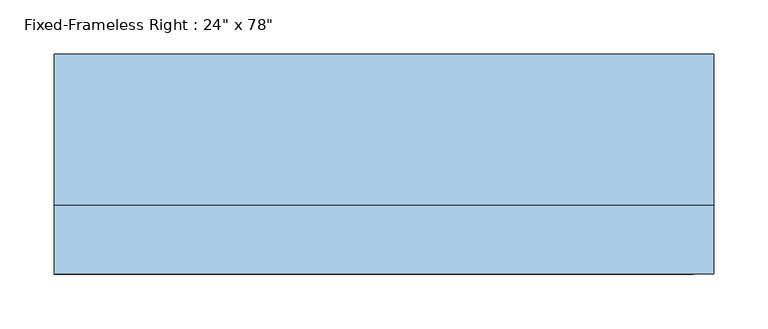
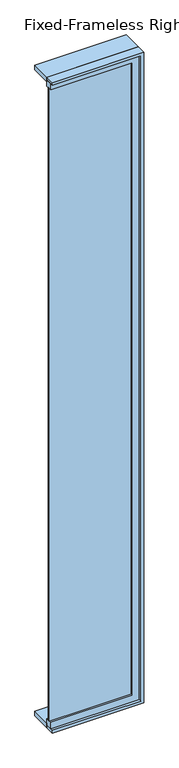
"""IFC4 building model written with IfcOpenShell, lengths in millimetres: window geometry."""

from ifc_helpers import new_model, si_unit, frame, origin, place, context, project, spatial, polyline, outline, extrude, source, transform, mapped, element, save


def window_be962bb8(model_context):
    return source(origin(), model_context, "Body", "SweptSolid", [
        extrude(outline(polyline([(203.2, -53.975), (203.2, -66.675), (-342.9, -66.675), (-342.9, -53.975), (203.2, -53.975)])), frame((0.0, 0.0, 673.1), z_axis=(0.0, 0.0, 1.0), x_axis=(1.0, 0.0, 0.0)), (0.0, 0.0, 1.0), 4473.0),
        extrude(outline(polyline([(5190.55, -342.9), (5146.1, -342.9), (5146.1, 203.2), (673.1, 203.2), (673.1, -342.9), (628.65, -342.9), (628.65, 247.65), (5190.55, 247.65), (5190.55, -342.9)])), frame((0.0, -82.55, 0.0), z_axis=(0.0, 1.0, 0.0), x_axis=(0.0, 0.0, 1.0)), (0.0, 0.0, 1.0), 44.45),
        extrude(outline(polyline([(5209.6, -342.9), (5177.85, -342.9), (5177.85, 234.95), (641.35, 234.95), (641.35, -342.9), (609.6, -342.9), (609.6, 266.7), (5209.6, 266.7), (5209.6, -342.9)])), frame((0.0, -38.1, 0.0), z_axis=(0.0, 1.0, 0.0), x_axis=(0.0, 0.0, 1.0)), (0.0, 0.0, 1.0), 139.7),
        extrude(outline(polyline([(5209.6, 266.7), (5209.6, -342.9), (5190.55, -342.9), (5190.55, 247.65), (628.65, 247.65), (628.65, -342.9), (609.6, -342.9), (609.6, 266.7), (5209.6, 266.7)])), frame((0.0, -101.6, 0.0), z_axis=(0.0, 1.0, 0.0), x_axis=(0.0, 0.0, 1.0)), (0.0, 0.0, 1.0), 63.5),
    ])


if __name__ == "__main__":
    model = new_model("IFC4")
    model_context = context("Model", 3, world=origin())
    ifc_project = project(units=[si_unit("LENGTHUNIT", "METRE", prefix="MILLI")], contexts=[model_context])
    site = spatial("IfcSite", under=ifc_project)
    building = spatial("IfcBuilding", under=site)
    placement = place(None, origin())
    window_shape = window_be962bb8(model_context)
    element("IfcWindow", 1, ObjectType="Fixed-Frameless Right : 24\" x 78\"", at=placement, inside=building, context=model_context, shape_type="MappedRepresentation", body=[
        mapped(window_shape, transform((0.0, 0.0, 0.0), x_axis=(1.0, 0.0, 0.0), y_axis=(0.0, 1.0, 0.0), z_axis=(0.0, 0.0, 1.0))),
    ])
    save(model, "model.ifc")
